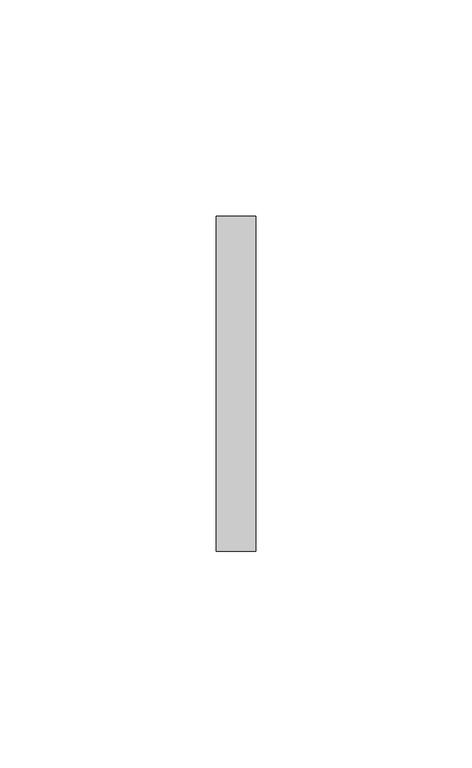
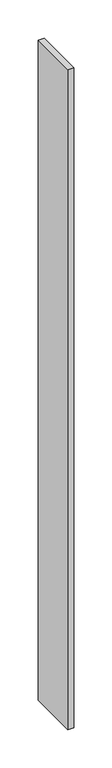
"""IFC4 building model written with IfcOpenShell, lengths in millimetres: furniture geometry."""

from ifc_helpers import new_model, si_unit, frame, origin, place, context, project, spatial, polyline, outline, extrude, source, transform, mapped, element, save


def furniture_af21af87(model_context):
    return source(origin(), model_context, "Body", "SweptSolid", [
        extrude(outline(polyline([(5.5434607, 38.6537944), (5.5434607, -38.8360494), (-3.5846643, -38.8360494), (-3.5846643, 38.6537944), (5.5434607, 38.6537944)])), frame((0.0, 0.0, 101.6), z_axis=(0.0, 0.0, 1.0), x_axis=(1.0, 0.0, 0.0)), (0.0, 0.0, 1.0), 1055.751),
    ])


if __name__ == "__main__":
    model = new_model("IFC4")
    model_context = context("Model", 3, world=origin())
    ifc_project = project(units=[si_unit("LENGTHUNIT", "METRE", prefix="MILLI")], contexts=[model_context])
    site = spatial("IfcSite", under=ifc_project)
    building = spatial("IfcBuilding", under=site)
    placement = place(None, origin())
    furniture_shape = furniture_af21af87(model_context)
    element("IfcFurniture", 1, at=placement, inside=building, context=model_context, shape_type="MappedRepresentation", body=[
        mapped(furniture_shape, transform((0.0, 0.0, 0.0), x_axis=(1.0, 0.0, 0.0), y_axis=(0.0, 1.0, 0.0), z_axis=(0.0, 0.0, 1.0))),
    ])
    save(model, "model.ifc")
